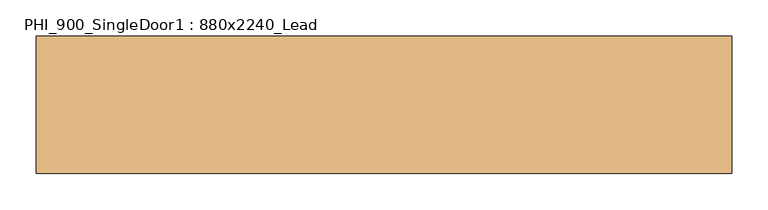
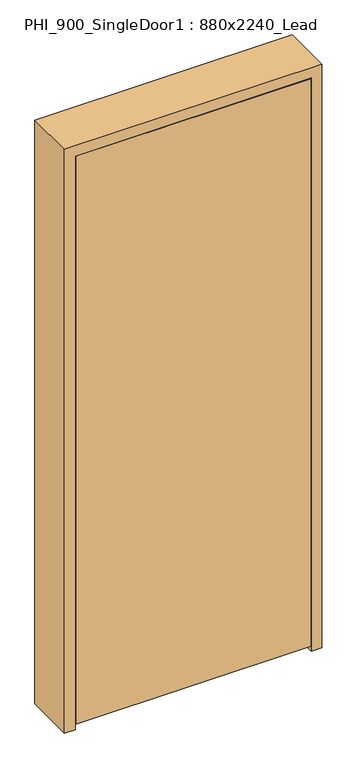
"""IFC4 building model written with IfcOpenShell, lengths in millimetres: door geometry, PHI_900_SingleDoor1 : 880x2240_Lead."""

from ifc_helpers import new_model, si_unit, frame, origin, place, context, project, spatial, polyline, outline, extrude, source, transform, mapped, element, save


def phi_900_singledoor1_880x2240_lead_d18d3f38(model_context):
    return source(origin(), model_context, "Body", "SweptSolid", [
        extrude(outline(polyline([(438.0, -95.0), (-438.0, -95.0), (-438.0, -45.0), (438.0, -45.0), (438.0, -95.0)])), frame((0.0, 0.0, 20.0), z_axis=(0.0, 0.0, 1.0), x_axis=(1.0, 0.0, 0.0)), (0.0, 0.0, 1.0), 2238.0),
        extrude(outline(polyline([(2300.0, -480.0), (0.0, -480.0), (0.0, -440.0), (2260.0, -440.0), (2260.0, 440.0), (0.0, 440.0), (0.0, 480.0), (2300.0, 480.0), (2300.0, -480.0)])), frame((0.0, -95.0, 0.0), z_axis=(0.0, 1.0, 0.0), x_axis=(0.0, 0.0, 1.0)), (0.0, 0.0, 1.0), 190.0),
        extrude(outline(polyline([(2260.0, -440.0), (0.0, -440.0), (0.0, -420.0), (2240.0, -420.0), (2240.0, 420.0), (0.0, 420.0), (0.0, 440.0), (2260.0, 440.0), (2260.0, -440.0)])), frame((0.0, -45.0, 0.0), z_axis=(0.0, 1.0, 0.0), x_axis=(0.0, 0.0, 1.0)), (0.0, 0.0, 1.0), 45.0),
    ])


if __name__ == "__main__":
    model = new_model("IFC4")
    model_context = context("Model", 3, world=origin())
    ifc_project = project(units=[si_unit("LENGTHUNIT", "METRE", prefix="MILLI")], contexts=[model_context])
    site = spatial("IfcSite", under=ifc_project)
    building = spatial("IfcBuilding", under=site)
    placement = place(None, origin())
    phi_900_singledoor1_880x2240_lead_shape = phi_900_singledoor1_880x2240_lead_d18d3f38(model_context)
    element("IfcDoor", 1, ObjectType="PHI_900_SingleDoor1 : 880x2240_Lead", at=placement, inside=building, context=model_context, shape_type="MappedRepresentation", body=[
        mapped(phi_900_singledoor1_880x2240_lead_shape, transform((0.0, 0.0, 0.0), x_axis=(1.0, 0.0, 0.0), y_axis=(0.0, 1.0, 0.0), z_axis=(0.0, 0.0, 1.0))),
    ])
    save(model, "model.ifc")
